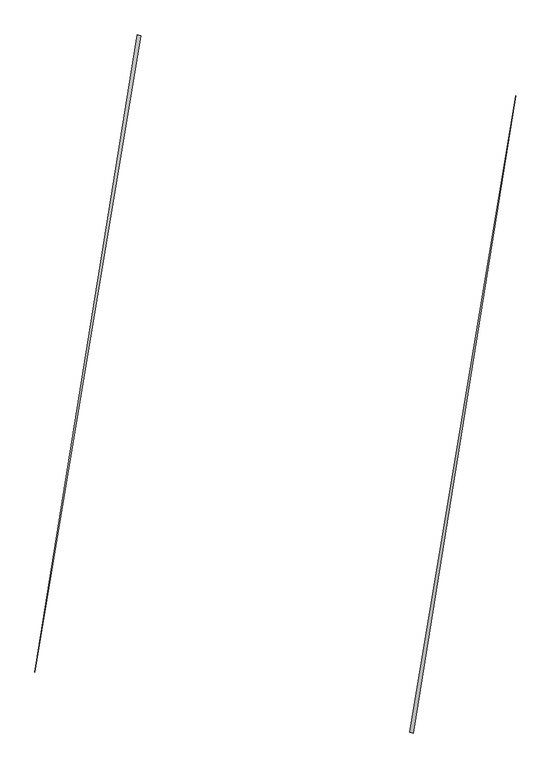
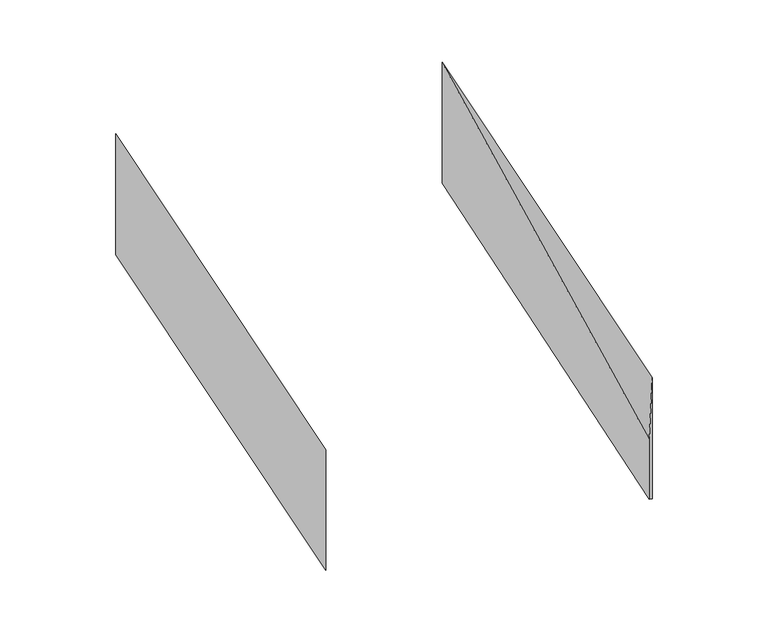
"""IFC4 building model written with IfcOpenShell, lengths in millimetres: proxy geometry."""

import ifcopenshell
import ifcopenshell.guid

model = None  # the IFC model being written
_history = None  # IfcOwnerHistory: only IFC2X3 demands one
_inside = {}  # id of a spatial element -> (the spatial element, [elements in it])
_under = {}  # id of a project, library or spatial element -> (it, [spatial elements below it])
_declared = {}  # id of a project -> (the project, [libraries it declares])
_typed = {}  # id of a type object -> (the type object, [elements of that type])
_made_of = {}  # id of a material, layer set ... -> (it, [elements and type objects made of it])


def new_model(schema):
    """Start an empty IFC model of exactly this schema.

    Asked for "IFC4X3", IfcOpenShell would pick the latest addendum, in which some entities
    have other attributes; the version numbers below select the first issue.
    IFC2X3 requires an IfcOwnerHistory on every rooted entity: one is made here for all.
    """
    global model, _history
    if schema == "IFC4X3":
        model = ifcopenshell.file(schema_version=(4, 3, 0, 0))
    else:
        model = ifcopenshell.file(schema=schema)
    _inside.clear()
    _under.clear()
    _declared.clear()
    _typed.clear()
    _made_of.clear()
    _history = None
    if model.schema == "IFC2X3":
        org = make("IfcOrganization", Name="unknown")
        user = make(
            "IfcPersonAndOrganization",
            ThePerson=make("IfcPerson", FamilyName="unknown"),
            TheOrganization=org,
        )
        app = make(
            "IfcApplication",
            ApplicationDeveloper=org,
            Version="unknown",
            ApplicationFullName="unknown",
            ApplicationIdentifier="unknown",
        )
        _history = make(
            "IfcOwnerHistory",
            OwningUser=user,
            OwningApplication=app,
            ChangeAction="ADDED",
            CreationDate=0,
        )
    return model


def make(cls, **values):
    """One entity of the class cls with the attributes given. An attribute that is None is left unset."""
    return model.create_entity(
        cls, **{name: value for name, value in values.items() if value is not None}
    )


def rooted(cls, **values):
    """An entity with a GlobalId (a new one), such as an element, a storey or a relation."""
    return make(cls, GlobalId=ifcopenshell.guid.new(), OwnerHistory=_history, **values)


def si_unit(unit_type, name, prefix=None):
    """IfcSIUnit, for example si_unit("LENGTHUNIT", "METRE", prefix="MILLI")."""
    return make("IfcSIUnit", UnitType=unit_type, Prefix=prefix, Name=name)


def assignment(units):
    """IfcUnitAssignment: the units of a project."""
    return None if units is None else make("IfcUnitAssignment", Units=units)


def point(xyz):
    """IfcCartesianPoint."""
    return None if xyz is None else make("IfcCartesianPoint", Coordinates=xyz)


def direction(xyz):
    """IfcDirection."""
    return None if xyz is None else make("IfcDirection", DirectionRatios=xyz)


def frame(location, z_axis=None, x_axis=None):
    """IfcAxis2Placement3D, a coordinate frame: its origin and axes. An axis left out is left unset."""
    return make(
        "IfcAxis2Placement3D",
        Location=point(location),
        Axis=direction(z_axis),
        RefDirection=direction(x_axis),
    )


def origin():
    """The frame at (0, 0, 0) with its axes left unset."""
    return frame((0.0, 0.0, 0.0))


def place(relative_to, where):
    """IfcLocalPlacement: puts the frame where relative to a parent placement (None: the world)."""
    return make(
        "IfcLocalPlacement", PlacementRelTo=relative_to, RelativePlacement=where
    )


def context(
    kind, dimensions, precision=None, world=None, true_north=None, identifier=None
):
    """IfcGeometricRepresentationContext, for example the 3D "Model" context."""
    return make(
        "IfcGeometricRepresentationContext",
        ContextIdentifier=identifier,
        ContextType=kind,
        CoordinateSpaceDimension=dimensions,
        Precision=precision,
        WorldCoordinateSystem=world,
        TrueNorth=true_north,
    )


def project(units=None, contexts=None):
    """IfcProject with its units and contexts."""
    return rooted(
        "IfcProject",
        Name="project",
        RepresentationContexts=contexts,
        UnitsInContext=assignment(units),
    )


def spatial(cls, under=None, at=None, **own):
    """A site, building, storey or space (cls), placed at a placement, below another one or the project."""
    s = rooted(cls, ObjectPlacement=at, **own)
    if under is not None:
        _under.setdefault(under.id(), (under, []))[1].append(s)
    return s


def faces_of(points, faces, orient=None, outer=None):
    """IfcFace entities. A face is a list of loops; a loop is a list of indices into points, from 0.

    orient and outer hold one flag for each loop. By default every Orientation is true, the
    first loop of a face is its IfcFaceOuterBound and the others are IfcFaceBound.
    """
    made = []
    for i, loops in enumerate(faces):
        bounds = []
        for j, loop in enumerate(loops):
            is_outer = j == 0 if outer is None else outer[i][j]
            bounds.append(
                make(
                    "IfcFaceOuterBound" if is_outer else "IfcFaceBound",
                    Bound=make("IfcPolyLoop", Polygon=[points[k] for k in loop]),
                    Orientation=True if orient is None else orient[i][j],
                )
            )
        made.append(make("IfcFace", Bounds=bounds))
    return made


def faceted_brep(points, faces, orient=None, outer=None, voids=None):
    """IfcFacetedBrep: a solid bounded by flat faces; with voids (closed shells), ...WithVoids."""
    shared = [point(p) for p in points]
    hull = make("IfcClosedShell", CfsFaces=faces_of(shared, faces, orient, outer))
    if voids is None:
        return make("IfcFacetedBrep", Outer=hull)
    return make(
        "IfcFacetedBrepWithVoids",
        Outer=hull,
        Voids=[
            make(cls, CfsFaces=faces_of(shared, fs, o, b)) for cls, fs, o, b in voids
        ],
    )


def shape(context_of_items, identifier, shape_type, items):
    """IfcShapeRepresentation: the items that make up one representation, for example the "Body"."""
    return make(
        "IfcShapeRepresentation",
        ContextOfItems=context_of_items,
        RepresentationIdentifier=identifier,
        RepresentationType=shape_type,
        Items=items,
    )


def source(mapping_origin, context_of_items, identifier, shape_type, items):
    """IfcRepresentationMap: a shape defined once, which mapped items show again and again."""
    return make(
        "IfcRepresentationMap",
        MappingOrigin=mapping_origin,
        MappedRepresentation=shape(context_of_items, identifier, shape_type, items),
    )


def transform(
    local_origin,
    x_axis=None,
    y_axis=None,
    z_axis=None,
    scale=None,
    scale2=None,
    scale3=None,
    uniform=True,
):
    """IfcCartesianTransformationOperator3D, or its non-uniform kind. x_axis, y_axis, z_axis: its Axis1, 2, 3."""
    if uniform:
        return make(
            "IfcCartesianTransformationOperator3D",
            Axis1=direction(x_axis),
            Axis2=direction(y_axis),
            LocalOrigin=point(local_origin),
            Scale=scale,
            Axis3=direction(z_axis),
        )
    return make(
        "IfcCartesianTransformationOperator3DnonUniform",
        Axis1=direction(x_axis),
        Axis2=direction(y_axis),
        LocalOrigin=point(local_origin),
        Scale=scale,
        Axis3=direction(z_axis),
        Scale2=scale2,
        Scale3=scale3,
    )


def mapped(mapping_source, mapping_target):
    """IfcMappedItem: shows the shape of a source again, moved by a transform."""
    return make(
        "IfcMappedItem", MappingSource=mapping_source, MappingTarget=mapping_target
    )


def made_of(thing, what):
    """Note that an element or type object is made of a material, layer set ...; save() writes the relation."""
    if what is not None:
        _made_of.setdefault(what.id(), (what, []))[1].append(thing)
    return thing


def element(
    cls,
    number,
    at=None,
    inside=None,
    cuts=None,
    type_object=None,
    material=None,
    context=None,
    identifier="Body",
    shape_type=None,
    held_by="IfcProductDefinitionShape",
    body=None,
    shapes=None,
    **own,
):
    """One element of the class cls, such as IfcWall. Its Tag is "e" and its number.

    at: its placement. inside: the storey or other place that contains it. cuts: it is an
    opening in that element (IfcRelVoidsElement). A single representation is given by context,
    identifier, shape_type and body (its items); several are given by shapes. held_by: the class
    of the entity that holds the representations. save() writes the other relations.
    """
    e = rooted(cls, Tag="e%d" % number, ObjectPlacement=at, **own)
    if body is not None:
        shapes = [shape(context, identifier, shape_type, body)]
    if shapes is not None:
        e.Representation = make(held_by, Representations=shapes)
    if inside is not None:
        _inside.setdefault(inside.id(), (inside, []))[1].append(e)
    if cuts is not None:
        rooted(
            "IfcRelVoidsElement", RelatingBuildingElement=cuts, RelatedOpeningElement=e
        )
    if type_object is not None:
        _typed.setdefault(type_object.id(), (type_object, []))[1].append(e)
    return made_of(e, material)


def aggregate(whole, parts):
    """IfcRelAggregates: a whole, such as a stair, and the parts it consists of."""
    return rooted("IfcRelAggregates", RelatingObject=whole, RelatedObjects=parts)


def save(model, path):
    """Write the relations noted so far, then the file.

    IfcRelAggregates (storeys below a building ...), IfcRelContainedInSpatialStructure (elements
    in a storey), IfcRelDefinesByType, IfcRelAssociatesMaterial and IfcRelDeclares: one each for
    every whole, place, type object, material and project.
    """
    for whole, parts in _under.values():
        aggregate(whole, parts)
    for where, things in _inside.values():
        rooted(
            "IfcRelContainedInSpatialStructure",
            RelatedElements=things,
            RelatingStructure=where,
        )
    for kind, things in _typed.values():
        rooted("IfcRelDefinesByType", RelatedObjects=things, RelatingType=kind)
    for what, things in _made_of.values():
        rooted("IfcRelAssociatesMaterial", RelatedObjects=things, RelatingMaterial=what)
    for by, libraries in _declared.values():
        rooted("IfcRelDeclares", RelatingContext=by, RelatedDefinitions=libraries)
    model.write(path)


def generic_models_098571b0(model_context):
    return source(origin(), model_context, "Body", "Brep", [
        faceted_brep([(-832.5663079, 2158.9690608, 0.0), (-856.0170022, 2162.7277087, 0.0), (-856.0170022, 2162.7277087, 1000.0), (-832.5663079, 2158.9690608, 500.0), (-1489.0524341, -1786.862921, 0.0), (-1489.0524341, -1786.862921, 1000.0)], [[[0, 1, 2, 3]], [[1, 4, 5, 2]], [[4, 0, 3, 5]], [[3, 2, 5]], [[0, 4, 1]]]),
        faceted_brep([(856.0170022, -2162.7277087, 0.0), (1489.0524341, 1786.862921, 0.0), (1489.0524341, 1786.862921, 1000.0), (856.0170022, -2162.7277087, 1000.0), (832.5663079, -2158.9690608, 0.0), (832.5663079, -2158.9690608, 500.0)], [[[0, 1, 2, 3]], [[1, 4, 5, 2]], [[4, 0, 3, 5]], [[2, 5, 3]], [[0, 4, 1]]]),
    ])


if __name__ == "__main__":
    model = new_model("IFC4")
    model_context = context("Model", 3, world=origin())
    ifc_project = project(units=[si_unit("LENGTHUNIT", "METRE", prefix="MILLI")], contexts=[model_context])
    site = spatial("IfcSite", under=ifc_project)
    building = spatial("IfcBuilding", under=site)
    placement = place(None, origin())
    generic_models_shape = generic_models_098571b0(model_context)
    element("IfcBuildingElementProxy", 1, Name="Generic Models", at=placement, inside=building, context=model_context, shape_type="MappedRepresentation", body=[
        mapped(generic_models_shape, transform((0.0, 0.0, 0.0), x_axis=(1.0, 0.0, 0.0), y_axis=(0.0, 1.0, 0.0), z_axis=(0.0, 0.0, 1.0))),
    ])
    save(model, "model.ifc")
